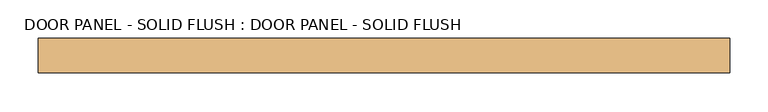
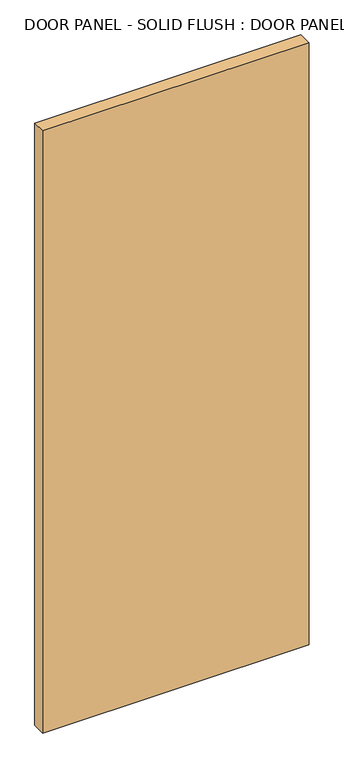
"""IFC4 building model written with IfcOpenShell, lengths in millimetres: door geometry, DOOR PANEL - SOLID FLUSH : DOOR PANEL - SOLID FLUSH."""

from ifc_helpers import new_model, si_unit, origin, origin_with_axes, place, context, project, spatial, polyline, outline, extrude, source, transform, mapped, element, save


def door_panel_solid_flush_door_panel_solid_flush_59f55019(model_context):
    return source(origin(), model_context, "Body", "SweptSolid", [
        extrude(outline(polyline([(-450.0, -22.5), (-450.0, 22.5), (450.0, 22.5), (450.0, -22.5), (-450.0, -22.5)])), origin_with_axes(), (0.0, 0.0, 1.0), 2150.0),
    ])


if __name__ == "__main__":
    model = new_model("IFC4")
    model_context = context("Model", 3, world=origin())
    ifc_project = project(units=[si_unit("LENGTHUNIT", "METRE", prefix="MILLI")], contexts=[model_context])
    site = spatial("IfcSite", under=ifc_project)
    building = spatial("IfcBuilding", under=site)
    placement = place(None, origin())
    door_panel_solid_flush_door_panel_solid_flush_shape = door_panel_solid_flush_door_panel_solid_flush_59f55019(model_context)
    element("IfcDoor", 1, ObjectType="DOOR PANEL - SOLID FLUSH : DOOR PANEL - SOLID FLUSH", at=placement, inside=building, context=model_context, shape_type="MappedRepresentation", body=[
        mapped(door_panel_solid_flush_door_panel_solid_flush_shape, transform((0.0, 0.0, 0.0), x_axis=(1.0, 0.0, 0.0), y_axis=(0.0, 1.0, 0.0), z_axis=(0.0, 0.0, 1.0))),
    ])
    save(model, "model.ifc")
